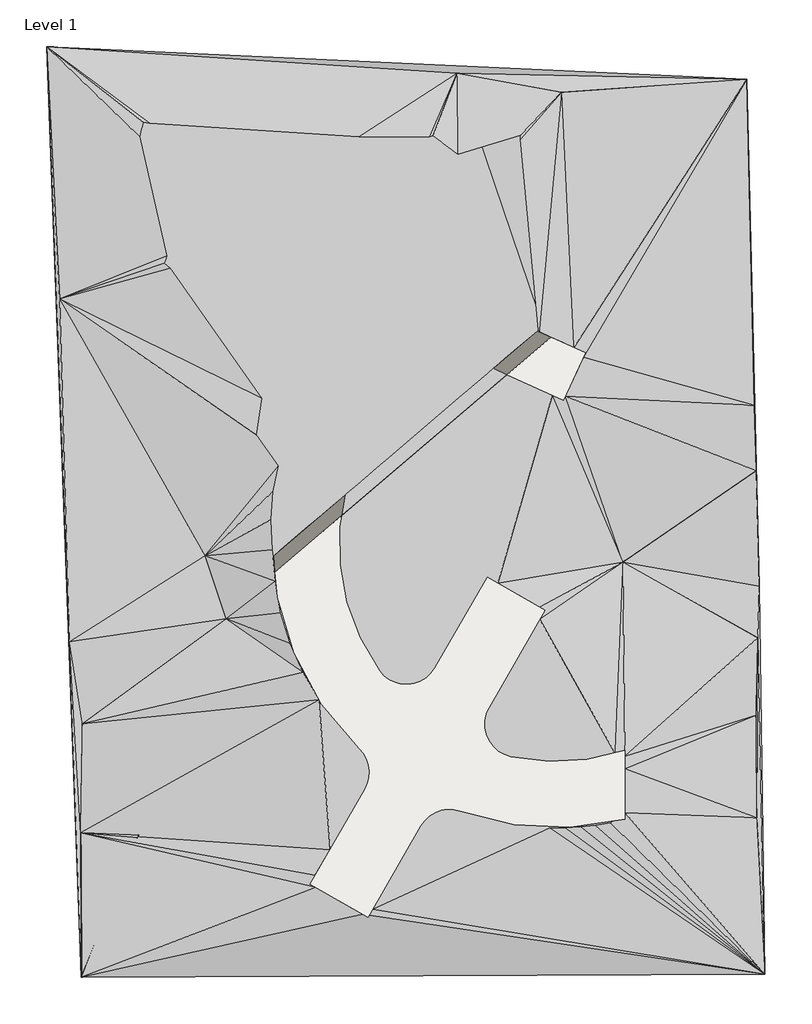
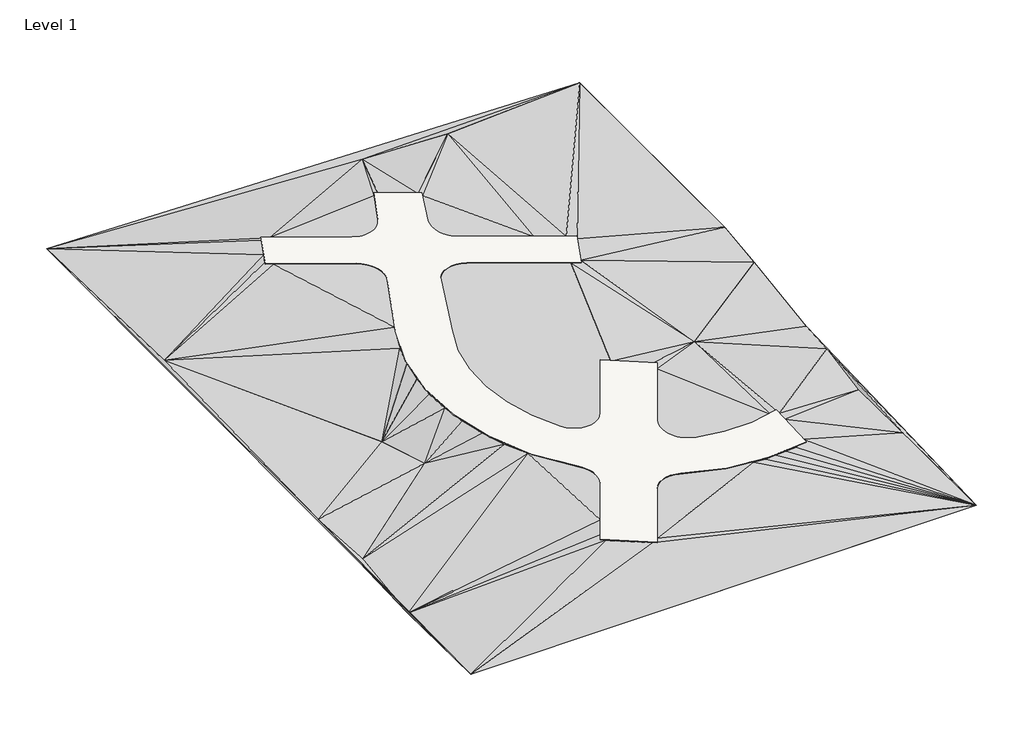
# One storey: 2 proxies, 1 slab.
"""IFC4 building model written with IfcOpenShell, lengths in millimetres."""

import ifcopenshell
import ifcopenshell.guid

model = None  # the IFC model being written
_history = None  # IfcOwnerHistory: only IFC2X3 demands one
_inside = {}  # id of a spatial element -> (the spatial element, [elements in it])
_under = {}  # id of a project, library or spatial element -> (it, [spatial elements below it])
_declared = {}  # id of a project -> (the project, [libraries it declares])
_typed = {}  # id of a type object -> (the type object, [elements of that type])
_made_of = {}  # id of a material, layer set ... -> (it, [elements and type objects made of it])


def new_model(schema):
    """Start an empty IFC model of exactly this schema.

    Asked for "IFC4X3", IfcOpenShell would pick the latest addendum, in which some entities
    have other attributes; the version numbers below select the first issue.
    IFC2X3 requires an IfcOwnerHistory on every rooted entity: one is made here for all.
    """
    global model, _history
    if schema == "IFC4X3":
        model = ifcopenshell.file(schema_version=(4, 3, 0, 0))
    else:
        model = ifcopenshell.file(schema=schema)
    _inside.clear()
    _under.clear()
    _declared.clear()
    _typed.clear()
    _made_of.clear()
    _history = None
    if model.schema == "IFC2X3":
        org = make("IfcOrganization", Name="unknown")
        user = make(
            "IfcPersonAndOrganization",
            ThePerson=make("IfcPerson", FamilyName="unknown"),
            TheOrganization=org,
        )
        app = make(
            "IfcApplication",
            ApplicationDeveloper=org,
            Version="unknown",
            ApplicationFullName="unknown",
            ApplicationIdentifier="unknown",
        )
        _history = make(
            "IfcOwnerHistory",
            OwningUser=user,
            OwningApplication=app,
            ChangeAction="ADDED",
            CreationDate=0,
        )
    return model


def make(cls, **values):
    """One entity of the class cls with the attributes given. An attribute that is None is left unset."""
    return model.create_entity(
        cls, **{name: value for name, value in values.items() if value is not None}
    )


def rooted(cls, **values):
    """An entity with a GlobalId (a new one), such as an element, a storey or a relation."""
    return make(cls, GlobalId=ifcopenshell.guid.new(), OwnerHistory=_history, **values)


def si_unit(unit_type, name, prefix=None):
    """IfcSIUnit, for example si_unit("LENGTHUNIT", "METRE", prefix="MILLI")."""
    return make("IfcSIUnit", UnitType=unit_type, Prefix=prefix, Name=name)


def assignment(units):
    """IfcUnitAssignment: the units of a project."""
    return None if units is None else make("IfcUnitAssignment", Units=units)


def point(xyz):
    """IfcCartesianPoint."""
    return None if xyz is None else make("IfcCartesianPoint", Coordinates=xyz)


def direction(xyz):
    """IfcDirection."""
    return None if xyz is None else make("IfcDirection", DirectionRatios=xyz)


def frame(location, z_axis=None, x_axis=None):
    """IfcAxis2Placement3D, a coordinate frame: its origin and axes. An axis left out is left unset."""
    return make(
        "IfcAxis2Placement3D",
        Location=point(location),
        Axis=direction(z_axis),
        RefDirection=direction(x_axis),
    )


def origin():
    """The frame at (0, 0, 0) with its axes left unset."""
    return frame((0.0, 0.0, 0.0))


def place(relative_to, where):
    """IfcLocalPlacement: puts the frame where relative to a parent placement (None: the world)."""
    return make(
        "IfcLocalPlacement", PlacementRelTo=relative_to, RelativePlacement=where
    )


def context(
    kind, dimensions, precision=None, world=None, true_north=None, identifier=None
):
    """IfcGeometricRepresentationContext, for example the 3D "Model" context."""
    return make(
        "IfcGeometricRepresentationContext",
        ContextIdentifier=identifier,
        ContextType=kind,
        CoordinateSpaceDimension=dimensions,
        Precision=precision,
        WorldCoordinateSystem=world,
        TrueNorth=true_north,
    )


def project(units=None, contexts=None):
    """IfcProject with its units and contexts."""
    return rooted(
        "IfcProject",
        Name="project",
        RepresentationContexts=contexts,
        UnitsInContext=assignment(units),
    )


def spatial(cls, under=None, at=None, **own):
    """A site, building, storey or space (cls), placed at a placement, below another one or the project."""
    s = rooted(cls, ObjectPlacement=at, **own)
    if under is not None:
        _under.setdefault(under.id(), (under, []))[1].append(s)
    return s


def polyline(points):
    """IfcPolyline through the points."""
    return make("IfcPolyline", Points=[point(p) for p in points])


def point_list(points):
    """IfcCartesianPointList2D or 3D."""
    cls = (
        "IfcCartesianPointList2D" if len(points[0]) == 2 else "IfcCartesianPointList3D"
    )
    return make(cls, CoordList=points)


def ellipse_curve(where, semi_axis1, semi_axis2):
    """IfcEllipse in the frame where."""
    return make(
        "IfcEllipse", Position=where, SemiAxis1=semi_axis1, SemiAxis2=semi_axis2
    )


def triangles(points, corners, closed=None, point_numbers=None):
    """IfcTriangulatedFaceSet: each triangle names its three corners, points numbered from 1."""
    return make(
        "IfcTriangulatedFaceSet",
        Coordinates=point_list(points),
        Closed=closed,
        CoordIndex=corners,
        PnIndex=point_numbers,
    )


def shape(context_of_items, identifier, shape_type, items):
    """IfcShapeRepresentation: the items that make up one representation, for example the "Body"."""
    return make(
        "IfcShapeRepresentation",
        ContextOfItems=context_of_items,
        RepresentationIdentifier=identifier,
        RepresentationType=shape_type,
        Items=items,
    )


def made_of(thing, what):
    """Note that an element or type object is made of a material, layer set ...; save() writes the relation."""
    if what is not None:
        _made_of.setdefault(what.id(), (what, []))[1].append(thing)
    return thing


def element(
    cls,
    number,
    at=None,
    inside=None,
    cuts=None,
    type_object=None,
    material=None,
    context=None,
    identifier="Body",
    shape_type=None,
    held_by="IfcProductDefinitionShape",
    body=None,
    shapes=None,
    **own,
):
    """One element of the class cls, such as IfcWall. Its Tag is "e" and its number.

    at: its placement. inside: the storey or other place that contains it. cuts: it is an
    opening in that element (IfcRelVoidsElement). A single representation is given by context,
    identifier, shape_type and body (its items); several are given by shapes. held_by: the class
    of the entity that holds the representations. save() writes the other relations.
    """
    e = rooted(cls, Tag="e%d" % number, ObjectPlacement=at, **own)
    if body is not None:
        shapes = [shape(context, identifier, shape_type, body)]
    if shapes is not None:
        e.Representation = make(held_by, Representations=shapes)
    if inside is not None:
        _inside.setdefault(inside.id(), (inside, []))[1].append(e)
    if cuts is not None:
        rooted(
            "IfcRelVoidsElement", RelatingBuildingElement=cuts, RelatedOpeningElement=e
        )
    if type_object is not None:
        _typed.setdefault(type_object.id(), (type_object, []))[1].append(e)
    return made_of(e, material)


def aggregate(whole, parts):
    """IfcRelAggregates: a whole, such as a stair, and the parts it consists of."""
    return rooted("IfcRelAggregates", RelatingObject=whole, RelatedObjects=parts)


def save(model, path):
    """Write the relations noted so far, then the file.

    IfcRelAggregates (storeys below a building ...), IfcRelContainedInSpatialStructure (elements
    in a storey), IfcRelDefinesByType, IfcRelAssociatesMaterial and IfcRelDeclares: one each for
    every whole, place, type object, material and project.
    """
    for whole, parts in _under.values():
        aggregate(whole, parts)
    for where, things in _inside.values():
        rooted(
            "IfcRelContainedInSpatialStructure",
            RelatedElements=things,
            RelatingStructure=where,
        )
    for kind, things in _typed.values():
        rooted("IfcRelDefinesByType", RelatedObjects=things, RelatingType=kind)
    for what, things in _made_of.values():
        rooted("IfcRelAssociatesMaterial", RelatedObjects=things, RelatingMaterial=what)
    for by, libraries in _declared.values():
        rooted("IfcRelDeclares", RelatingContext=by, RelatedDefinitions=libraries)
    model.write(path)


def plane_surface(at):
    """IfcPlane: the flat surface through the origin of the frame at, square to its z axis."""
    return make("IfcPlane", Position=at)


def cylinder_surface(at, radius):
    """IfcCylindricalSurface: all points at the distance radius from the z axis of the frame at."""
    return make("IfcCylindricalSurface", Position=at, Radius=radius)


def revolved_surface(curve, axis_point, axis_direction):
    """IfcSurfaceOfRevolution: the curve turned about the line through axis_point along axis_direction."""
    return make(
        "IfcSurfaceOfRevolution",
        SweptCurve=make("IfcArbitraryOpenProfileDef", ProfileType="CURVE", Curve=curve),
        AxisPosition=make("IfcAxis1Placement", Location=point(axis_point), Axis=direction(axis_direction)),
    )


def advanced_brep(points, edges, surfaces, faces):
    """IfcAdvancedBrep: a solid bounded by faces that lie on surfaces and meet in shared edges.

    An edge is (start, end): straight between two places in points (the first is 0);
    or (start, end, curve); or (start, end, curve, False) where it runs against its curve.
    A face is (place in surfaces, loops), or (place, loops, False) where it looks against
    its surface's normal. A loop lists edges by number (the first is 1), with a minus sign
    where the edge is run from its end to its start. The first loop is the outer one.
    """
    corners = [point(p) for p in points]
    vertices = [make("IfcVertexPoint", VertexGeometry=c) for c in corners]
    made = []
    for start, end, *more in edges:
        made.append(
            make(
                "IfcEdgeCurve",
                EdgeStart=vertices[start],
                EdgeEnd=vertices[end],
                EdgeGeometry=more[0] if more else make("IfcPolyline", Points=[corners[start], corners[end]]),
                SameSense=more[1] if len(more) > 1 else True,
            )
        )
    hull = []
    for where, loops, *sense in faces:
        bounds = []
        for j, loop in enumerate(loops):
            ring = [make("IfcOrientedEdge", EdgeElement=made[abs(k) - 1], Orientation=k > 0) for k in loop]
            bounds.append(
                make(
                    "IfcFaceOuterBound" if j == 0 else "IfcFaceBound",
                    Bound=make("IfcEdgeLoop", EdgeList=ring),
                    Orientation=True,
                )
            )
        hull.append(make("IfcAdvancedFace", Bounds=bounds, FaceSurface=surfaces[where], SameSense=sense[0] if sense else True))
    return make("IfcAdvancedBrep", Outer=make("IfcClosedShell", CfsFaces=hull))


model = new_model("IFC4")

# Units and contexts
model_context = context("Model", 3, world=origin())
ifc_project = project(units=[si_unit("LENGTHUNIT", "METRE", prefix="MILLI")], contexts=[model_context])

# Site, building, storey
site = spatial("IfcSite", under=ifc_project)
building = spatial("IfcBuilding", under=site)
storey = spatial("IfcBuildingStorey", under=building, Name="Level 1", Elevation=0.0)

# Proxies
placement = place(None, origin())
element("IfcBuildingElementProxy", 1, Name="Building Element Proxy", at=placement, inside=storey, context=model_context, shape_type="Tessellation", body=[
    triangles([(111808.9892578, 667.3737265, -5400.0000412), (173593.6458984, 946.0044662, -5400.0000412), (111725.7478271, 13736.1569092, -5400.0000412), (172844.4823242, 15096.9157104, -4400.0000336), (172761.2315918, 24336.6284729, -4400.0000336), (111892.2306885, 23558.5550354, -4400.0000336), (110726.8599609, 30966.9726013, -3400.0000259), (172927.7144531, 31328.8435364, -3400.0000259), (173094.1973145, 35990.3217957, -3400.0000259), (172804.5219727, 46435.2028564, -1400.0000107), (109855.5922119, 61941.0656982, -1400.0000107), (172640.3273438, 52346.2653076, -400.0000031), (108668.7809326, 84731.5629639, -400.0000031), (145751.8662598, 82334.2767334, -400.0000031), (155210.9633057, 80597.898999, 600.0000046), (171947.68125, 81796.551416, 600.0000046), (160757.4619629, 38176.4790527, -2400.0000183), (122985.8512207, 38762.9967407, -2400.0000183), (124896.906665, 33047.7874512, -2400.0000183)], [[7, 3, 6], [3, 7, 1], [3, 19, 6], [19, 3, 1], [7, 13, 1], [7, 6, 19], [13, 11, 14], [11, 13, 7], [14, 18, 17], [18, 11, 7], [19, 17, 18], [18, 14, 11], [7, 19, 18], [13, 14, 16], [19, 1, 4], [5, 4, 8], [4, 5, 17], [8, 2, 9], [2, 8, 4], [8, 9, 17], [17, 19, 4], [5, 8, 17], [15, 17, 12], [17, 15, 14], [16, 12, 10], [12, 16, 15], [10, 12, 17], [16, 10, 9], [17, 9, 10], [15, 16, 14], [4, 1, 2]], closed=False),
])
element("IfcBuildingElementProxy", 2, Name="Building Element Proxy", at=placement, inside=storey, context=model_context, shape_type="Tessellation", body=[
    triangles([(111808.9892578, 667.3737265, -5400.0000412), (173593.6458984, 946.0044662, -5400.0000412), (111725.7478271, 13736.1569092, -5400.0000412), (172844.4823242, 15096.9157104, -4400.0000336), (172761.2315918, 24336.6284729, -4400.0000336), (111892.2306885, 23558.5550354, -4400.0000336), (110726.8599609, 30966.9726013, -3400.0000259), (172927.7144531, 31328.8435364, -3400.0000259), (173094.1973145, 35990.3217957, -3400.0000259), (172804.5219727, 46435.2028564, -1400.0000107), (109855.5922119, 61941.0656982, -1400.0000107), (172640.3273438, 52346.2653076, -400.0000031), (108668.7809326, 84731.5629639, -400.0000031), (145751.8662598, 82334.2767334, -400.0000031), (155210.9633057, 80597.898999, 600.0000046), (171947.68125, 81796.551416, 600.0000046), (160757.4619629, 38176.4790527, -2400.0000183), (122985.8512207, 38762.9967407, -2400.0000183), (124896.906665, 33047.7874512, -2400.0000183), (139095.4074463, 27971.4810242, 237.5772318), (139518.5816162, 27630.7088013, 202.4067224), (139996.375708, 27371.8036743, 169.0058723), (140513.2092773, 27203.3069824, 138.4691279), (141052.1624268, 27130.8276855, 111.8005432), (141595.5525146, 27156.8656311, 89.8810599), (142125.4922607, 27280.6673767, 73.4378367), (142624.4757568, 27498.2378174, 63.0185644), (143075.9923828, 27802.4471558, 58.9713777), (143465.1035156, 28183.2587952, 61.431779), (144208.4255859, 29371.9560059, 89.2542995), (144637.9156494, 30115.8454834, 108.1911705), (145067.3964111, 30859.7349609, 127.1280506), (145496.8864746, 31603.6267639, 146.0649307), (145926.3672363, 32347.5162415, 165.0018107), (146355.847998, 33091.405719, 183.9386817), (146785.3380615, 33835.2951965, 202.8755709), (147214.8188232, 34579.1846741, 221.8124419), (147644.3088867, 35323.0741516, 240.7493311), (148073.7896484, 36066.9659546, 259.6862021), (148975.6508789, 36538.1278931, 244.760914), (149448.0313477, 36265.400354, 210.8987549), (149920.4118164, 35992.6728149, 177.0365958), (150392.7829834, 35719.9452759, 143.1744367), (150865.1634521, 35447.2177368, 109.3122776), (151337.5439209, 35174.4901978, 75.4501139), (151809.9150879, 34901.7649841, 41.5879503), (152282.2955566, 34629.0374451, 7.7257877), (152754.6760254, 34356.309906, -26.1363748), (153227.0564941, 34083.5823669, -59.9985362), (153239.2417969, 33013.7872009, -114.1513263), (152779.0559326, 32216.7172485, -134.4419482), (152318.8700684, 31419.6496216, -154.7325793), (151858.6749023, 30622.5796692, -175.0232012), (151398.4890381, 29825.5120422, -195.3138232), (150938.3031738, 29028.4420898, -215.6044633), (150478.1173096, 28231.3744629, -235.8950852), (150017.9314453, 27434.3068359, -256.1857072), (149557.7362793, 26637.2368835, -276.4763473), (149097.550415, 25840.1692566, -296.7669693), (148419.4522705, 24577.5998108, -331.080627), (148284.2233154, 24081.8905334, -350.1521736), (148235.5658203, 23570.5636047, -373.7068042), (148274.8192383, 23058.6181091, -401.0499026), (148400.7464355, 22561.020575, -431.3778843), (148609.5802002, 22092.2817444, -463.8028673), (148895.2092773, 21666.051947, -497.3787249), (149249.2806885, 21294.7327515, -531.1269919), (149661.4880859, 20989.1490784, -564.0646617), (150119.8415039, 20758.2422424, -595.2310006), (151546.9450928, 20433.2667297, -672.5177439), (152490.4037842, 20303.3560547, -719.3543472), (153439.1551758, 20219.3914124, -764.1136791), (154390.9668457, 20181.5867432, -806.6897141), (155343.5877686, 20190.0536682, -846.980714), (156294.7762207, 20244.7642822, -884.8918447), (157242.271875, 20345.6278931, -920.33176), (158183.8516113, 20492.4049805, -953.2166714), (159117.2644043, 20684.7630066, -983.4678045), (160040.3150391, 20922.2647888, -1011.0125622), (160950.7896973, 20636.2729431, -1064.264835), (160950.7896973, 20068.1913391, -1092.7443466), (160950.7896973, 19500.1097351, -1121.2237856), (160950.7896973, 18932.0281311, -1149.7032972), (160950.7896973, 18363.9476898, -1178.1827362), (160950.7896973, 17795.8660858, -1206.6622478), (160950.7896973, 17227.7844818, -1235.1417595), (160950.7896973, 16659.7028778, -1263.6212711), (160950.7896973, 16091.6212738, -1292.1006374), (160950.7896973, 15523.5396698, -1320.5801491), (159609.2157715, 14655.4821899, -1306.758609), (158253.6147949, 14427.9402649, -1260.2268562), (156887.8935059, 14273.4636475, -1209.5999319), (155516.0144531, 14192.4837067, -1155.0247747), (154141.9122803, 14185.1911285, -1096.6608227), (152769.5588379, 14251.6021912, -1034.6765247), (151402.8980713, 14391.4820251, -969.2523932), (150045.864624, 14604.4167023, -900.5770792), (148702.3373291, 14889.7620758, -828.849408), (147376.1950195, 15246.6763367, -754.2763435), (145707.3852539, 15778.8147858, -656.2731686), (145333.1569336, 15836.8658936, -637.3682178), (144954.4916748, 15847.3047913, -620.6606621), (144577.4356201, 15809.9256775, -606.4188715), (144208.0070068, 15725.2913086, -594.8723379), (143852.1217529, 15594.7225342, -586.2076778), (143515.5004395, 15420.2878326, -580.5651807), (143203.5473877, 15204.7695923, -578.036447), (142921.2576416, 14951.6176025, -578.6624989), (142673.1611572, 14664.8955688, -582.4331989), (142030.1678467, 13599.1013214, -608.3824508), (141597.0966064, 12848.9959442, -627.4775425), (141164.0160645, 12098.8894043, -646.5726706), (140730.9448242, 11348.7840271, -665.6677986), (140297.873584, 10598.6774872, -684.7629267), (139864.8023437, 9848.57211, -703.8580547), (139431.7218018, 9098.4655701, -722.9531828), (138998.6505615, 8348.3596115, -742.0483109), (138565.5793213, 7598.253653, -761.1433662), (138132.4987793, 6848.1476944, -780.2384943), (137227.0563721, 6370.7692749, -765.4714451), (136754.6759033, 6643.4962326, -731.6093405), (136282.2954346, 6916.2237717, -697.7471632), (135809.9149658, 7188.9513107, -663.8849859), (135337.5437988, 7461.6782684, -630.0228086), (134865.1633301, 7734.4058075, -596.1606677), (134392.7828613, 8007.1327652, -562.2984904), (133920.4116943, 8279.8603043, -528.4363495), (133448.0312256, 8552.587262, -494.5741722), (132975.6507568, 8825.314801, -460.7119949), (132953.3265381, 9877.5552246, -407.0061161), (133403.3827881, 10657.0681091, -387.1624146), (133853.4297363, 11436.5821564, -367.3186767), (134303.4859863, 12216.0950409, -347.4749388), (134753.5422363, 12995.6079254, -327.6312372), (135203.5891846, 13775.1208099, -307.7874993), (135653.6454346, 14554.6348572, -287.9437614), (136103.6923828, 15334.1477417, -268.1000417), (136553.7486328, 16113.6606262, -248.256322), (137003.7955811, 16893.1746735, -228.4125841), (137615.7768311, 17996.9421844, -199.2339509), (137737.3973145, 18338.28414, -187.3197072), (137816.9645508, 18691.7160553, -173.001922), (137853.3437256, 19052.0673157, -156.491429), (137846.0418457, 19414.0835907, -138.0304738), (137795.1984375, 19772.4954346, -117.8891614), (137701.5762451, 20122.0973511, -96.3612421), (137566.5705322, 20457.8233704, -73.7600735), (137392.1439697, 20774.813324, -50.4136334), (137180.854541, 21068.4791199, -26.6604162), (134982.1236328, 23437.3391785, 186.0713277), (133276.0510254, 25745.5075928, 374.7046357), (131838.8643311, 28230.2280212, 560.6963353), (130688.6275635, 30860.4581726, 741.7185345), (129839.8514648, 33603.3233093, 915.5026217), (129303.3446777, 36424.4999451, 1079.8666443), (129086.0184082, 39288.6390747, 1232.7424873), (129190.8213135, 42159.7801025, 1372.2011261), (129616.6743896, 45001.7973267, 1496.4781334), (130358.4430664, 47778.8650269, 1603.9965706), (131751.4371094, 51208.0324585, 1716.3731415), (132095.8998047, 51960.1772461, 1739.357785), (132440.3625, 52712.3220337, 1762.3424286), (132784.8251953, 53464.4714722, 1785.3269268), (133129.2971924, 54216.6162598, 1808.3115704), (133473.7598877, 54968.7610474, 1831.2962139), (133818.222583, 55720.9104858, 1854.2807121), (134162.6852783, 56473.0552734, 1877.2653557), (134507.1572754, 57225.200061, 1900.2498539), (134851.6199707, 57977.3494995, 1923.2344975), (135346.2316406, 59130.8325806, 1959.9220837), (135437.6400146, 59549.3512207, 1976.9963322), (135468.5218506, 59976.4879395, 1997.0903091), (135438.2725342, 60403.5409424, 2019.7922665), (135347.5896973, 60821.8316895, 2044.6381336), (135198.3429932, 61222.8676758, 2071.1221275), (134993.5927002, 61598.5284668, 2098.7061996), (134737.5153076, 61941.2238281, 2126.8313725), (134435.2825928, 62244.0053467, 2154.9279133), (134093.0337158, 62500.7431641, 2182.4268162), (132918.3054199, 63072.3082764, 2261.2894444), (132118.930957, 63438.4022095, 2313.8083317), (131319.5564941, 63804.4961426, 2366.3270737), (130520.1820313, 64170.5900757, 2418.8458157), (129720.8168701, 64536.6840088, 2471.3645576), (128921.4424072, 64902.7779419, 2523.883445), (128122.0679443, 65268.871875, 2576.4023323), (127322.6934814, 65634.9658081, 2628.920929), (126523.3190186, 66001.0597412, 2681.4398163), (125723.9445557, 66367.1536743, 2733.9587036), (125102.4848145, 67121.7169189, 2798.3486687), (125280.3902344, 67510.1908813, 2810.2197464), (125458.3049561, 67898.6601929, 2822.0908241), (125636.2196777, 68287.1341553, 2833.9621925), (125814.1250977, 68675.6034668, 2845.8332703), (125992.0398193, 69064.0727783, 2857.704348), (126169.9452393, 69452.5467407, 2869.5757164), (126347.8599609, 69841.0160522, 2881.4467941), (126525.7653809, 70229.4900146, 2893.3178719), (126703.6801025, 70617.9593262, 2905.1889496), (127680.9599854, 70640.3347046, 2864.5414307), (128480.3344482, 70274.2407715, 2812.0225433), (129279.7089111, 69908.1468384, 2759.5039467), (130079.083374, 69542.0575562, 2706.9850594), (130878.4578369, 69175.963623, 2654.466172), (131677.822998, 68809.8696899, 2601.9475754), (132477.1974609, 68443.7757568, 2549.428688), (133276.5719238, 68077.6818237, 2496.9098007), (134075.9463867, 67711.5878906, 2444.3909134), (134875.3208496, 67345.4939575, 2391.8721714), (136075.1266846, 66829.5208008, 2314.7248455), (136492.9244385, 66738.0752197, 2292.2836281), (136919.6053711, 66706.9701416, 2272.487598), (137346.5095459, 66736.8892456, 2255.7416725), (137764.9212158, 66827.2744263, 2242.3900166), (138166.2920654, 66976.3350952, 2232.7077587), (138542.4272461, 67181.052832, 2226.8948868), (138885.5969971, 67437.2651001, 2225.0720329), (139188.7970947, 67739.725708, 2227.2765495), (139445.8139648, 68082.2443359, 2233.4630905), (139833.1112549, 68854.5413818, 2255.6269993), (140014.8024902, 69251.2799561, 2267.7508232), (140196.5030273, 69648.0138794, 2279.8745018), (140378.1942627, 70044.7524536, 2291.9981804), (140559.8947998, 70441.486377, 2304.1220043), (140741.5860352, 70838.2249512, 2316.2456829), (140923.2865723, 71234.9588745, 2328.3695068), (141104.9778076, 71631.6974487, 2340.4931854), (141286.6783447, 72028.4313721, 2352.6170094), (141468.3695801, 72425.1699463, 2364.7406879), (142074.3325928, 72627.6041016, 2348.9903412), (142498.5950684, 72433.2996826, 2321.1161705), (142922.8575439, 72238.9999146, 2293.2419998), (143347.1293213, 72044.6954956, 2265.3678291), (143771.3917969, 71850.3910767, 2237.4938038), (144195.6542725, 71656.0913086, 2209.6196331), (144619.916748, 71461.7868896, 2181.7454624), (145044.1792236, 71267.4871216, 2153.8712917), (145468.4416992, 71073.1827026, 2125.9972664), (145892.7041748, 70878.8782837, 2098.1230957), (146145.5631592, 70272.5618042, 2056.9195061), (145974.159668, 69860.5497437, 2043.5900871), (145802.7561768, 69448.5330322, 2030.2606682), (145631.3526855, 69036.5209717, 2016.9312492), (145459.9398926, 68624.5089111, 2003.6018303), (145288.5364014, 68212.4921997, 1990.272266), (145117.1329102, 67800.4801392, 1976.9428471), (144945.7294189, 67388.4634277, 1963.6134281), (144774.316626, 66976.4513672, 1950.2840092), (144602.9131348, 66564.4346558, 1936.9545902), (144298.0015137, 65755.3724121, 1909.426038), (144221.1224854, 65343.7138184, 1892.0743355), (144202.3050293, 64925.4835327, 1871.9116127), (144241.874707, 64508.829895, 1849.3323223), (144339.0129639, 64101.8407837, 1824.7772804), (144491.7943359, 63712.4133911, 1798.7240742), (144697.2236572, 63348.0728394, 1771.6784866), (144951.3104736, 63015.86521, 1744.164323), (145249.1341553, 62722.2226685, 1716.7142544), (145584.9276123, 62472.8332397, 1689.8593529), (146987.4094482, 61798.4464966, 1596.1079533), (148022.611377, 61324.3498535, 1528.0955349), (149057.8040039, 60850.2532104, 1460.0831165), (150093.0059326, 60376.1612183, 1392.0706982), (151128.1985596, 59902.0645752, 1324.0584251), (152163.4004883, 59427.9679321, 1256.0460068), (153198.5931152, 58953.8759399, 1188.0335884), (154233.7950439, 58479.7792969, 1120.02117), (155268.9876709, 58005.6826538, 1052.0087517), (156304.1895996, 57531.5906616, 983.9963333), (157161.4768066, 56669.024707, 904.1127645), (156983.5527832, 56280.5507446, 892.2416142), (156805.6473633, 55892.0814331, 880.3704638), (156627.7419434, 55503.6074707, 868.4993134), (156449.8365234, 55115.1381592, 856.628163), (156271.9125, 54726.6688477, 844.7570126), (156094.0070801, 54338.1948853, 832.8857895), (155916.1016602, 53949.7255737, 821.0146391), (155738.1869385, 53561.2516113, 809.1434887), (155560.2815186, 53172.7822998, 797.2723383), (154378.3350586, 53244.1314331, 851.3658388), (153374.3126221, 53703.9545288, 917.3305624), (152370.2808838, 54163.7729736, 983.2952133), (151366.2491455, 54623.5960693, 1049.2599369), (150362.2174072, 55083.4145142, 1115.2245878), (149358.1949707, 55543.2376099, 1181.1892387), (148354.1632324, 56003.0607056, 1247.1539623), (147350.1314941, 56462.8791504, 1313.1186859), (146346.1090576, 56922.7022461, 1379.0832642), (145342.0773193, 57382.5206909, 1445.0479877), (143928.4054688, 57994.92052, 1536.1703327), (143500.8036621, 58086.3614502, 1559.0301292), (143064.3279785, 58114.676001, 1579.1049213), (142628.233667, 58079.1990967, 1595.9650841), (142201.8224854, 57980.6283691, 1609.2485756), (141794.1915527, 57821.0241577, 1618.6690762), (141414.0845215, 57603.7583496, 1624.0232552), (141069.6125244, 57333.4585693, 1625.1948406), (140768.170459, 57015.9012085, 1622.1588341), (140516.1858398, 56657.8951538, 1614.9807838), (140004.7565918, 55511.6860474, 1579.3769978), (139690.4874023, 54756.2763428, 1554.9379372), (139376.2275146, 54000.8619873, 1530.4990219), (139061.9583252, 53245.4522827, 1506.0599613), (138747.6891357, 52490.0379272, 1481.6209007), (138433.429248, 51734.6282227, 1457.1819855), (138119.1600586, 50979.2138672, 1432.7429249), (137804.8908691, 50223.8041626, 1408.3038643), (137490.6309814, 49468.3898071, 1383.864949), (137176.361792, 48712.9801025, 1359.4258884), (136164.2189209, 46218.8067627, 1277.6455605), (135635.5256104, 44421.7118042, 1210.1490263), (135280.7472656, 42582.7356812, 1133.1194984), (135103.0185791, 40718.6913208, 1047.2658726), (135103.8557373, 38846.5730347, 953.3758913), (135283.1285156, 36983.4379211, 852.3091679), (135639.1253906, 35146.212854, 744.9889017), (136168.5070313, 33351.5782104, 632.3928675), (136866.3900146, 31615.7911377, 515.5455666), (137726.3840332, 29954.5762573, 395.507581)], [[1, 129, 3], [129, 1, 128], [128, 127, 131], [127, 128, 1], [1, 126, 127], [129, 128, 130], [3, 6, 7], [3, 151, 6], [131, 132, 3], [131, 130, 128], [126, 132, 131], [131, 3, 130], [3, 129, 130], [133, 3, 132], [131, 127, 126], [1, 3, 7], [125, 124, 132], [125, 132, 126], [1, 125, 126], [1, 124, 125], [117, 132, 124], [132, 116, 133], [1, 123, 124], [134, 133, 115], [133, 134, 151], [150, 134, 135], [136, 137, 150], [113, 136, 135], [112, 137, 136], [136, 150, 135], [135, 134, 114], [20, 151, 150], [117, 124, 123], [151, 3, 133], [1, 122, 123], [150, 151, 134], [18, 7, 19], [153, 19, 152], [314, 156, 155], [154, 155, 19], [153, 154, 19], [154, 315, 155], [7, 6, 19], [18, 19, 155], [18, 156, 157], [156, 18, 155], [156, 313, 157], [157, 312, 158], [158, 159, 18], [157, 158, 18], [158, 311, 159], [11, 7, 18], [316, 154, 317], [159, 11, 18], [318, 153, 152], [152, 19, 6], [313, 314, 39], [314, 155, 315], [315, 154, 316], [314, 315, 38], [319, 152, 151], [313, 156, 314], [160, 11, 159], [308, 161, 160], [312, 313, 39], [39, 311, 312], [159, 310, 160], [311, 158, 312], [313, 312, 157], [311, 310, 159], [315, 316, 36], [154, 153, 317], [151, 152, 6], [188, 160, 161], [138, 150, 137], [1, 7, 13], [150, 138, 139], [133, 116, 115], [138, 110, 139], [121, 122, 1], [109, 140, 139], [122, 121, 118], [1, 120, 121], [150, 139, 149], [140, 141, 142], [140, 108, 141], [142, 143, 144], [142, 106, 143], [105, 144, 143], [140, 142, 146], [107, 142, 141], [139, 140, 149], [120, 119, 121], [142, 144, 146], [117, 123, 118], [118, 119, 95], [114, 134, 115], [116, 117, 96], [115, 116, 97], [132, 117, 116], [118, 96, 117], [135, 114, 113], [137, 112, 111], [113, 114, 98], [111, 110, 138], [111, 112, 99], [110, 111, 99], [137, 111, 138], [113, 98, 112], [113, 112, 136], [115, 97, 114], [118, 121, 119], [120, 2, 119], [104, 145, 144], [151, 20, 319], [148, 149, 146], [24, 148, 147], [146, 147, 148], [25, 147, 146], [149, 148, 24], [140, 146, 149], [319, 318, 152], [318, 33, 317], [317, 35, 316], [310, 40, 309], [40, 308, 309], [309, 308, 160], [39, 310, 311], [153, 318, 317], [310, 309, 160], [32, 318, 319], [149, 22, 150], [21, 150, 22], [149, 23, 22], [23, 24, 25], [23, 149, 24], [24, 147, 25], [22, 23, 21], [64, 146, 145], [23, 29, 21], [161, 307, 162], [308, 284, 307], [307, 284, 306], [21, 29, 20], [150, 21, 20], [305, 306, 285], [319, 20, 30], [162, 307, 306], [305, 286, 304], [146, 63, 25], [144, 145, 146], [308, 307, 161], [25, 26, 23], [118, 123, 122], [1, 2, 120], [163, 306, 305], [185, 164, 184], [183, 184, 165], [183, 166, 182], [181, 182, 167], [182, 181, 208], [183, 182, 207], [189, 11, 160], [184, 183, 206], [189, 188, 192], [189, 160, 188], [187, 162, 186], [187, 188, 161], [186, 185, 204], [187, 186, 203], [185, 186, 163], [188, 187, 194], [184, 205, 185], [11, 189, 190], [163, 164, 185], [162, 306, 163], [165, 166, 183], [165, 164, 304], [302, 167, 166], [165, 184, 164], [305, 164, 163], [166, 167, 182], [209, 181, 180], [169, 179, 180], [179, 171, 178], [301, 168, 167], [168, 169, 180], [180, 181, 168], [167, 168, 181], [210, 180, 179], [166, 165, 303], [163, 186, 162], [187, 161, 162], [208, 181, 209], [191, 192, 11], [190, 189, 191], [11, 193, 13], [192, 188, 193], [202, 195, 194], [193, 11, 192], [189, 192, 191], [13, 193, 194], [13, 195, 196], [195, 13, 194], [197, 200, 198], [196, 201, 197], [197, 198, 13], [196, 197, 13], [201, 196, 195], [13, 198, 199], [193, 188, 194], [191, 11, 190], [229, 203, 204], [204, 203, 186], [205, 204, 185], [184, 206, 205], [226, 206, 207], [228, 205, 206], [187, 203, 202], [229, 204, 205], [199, 200, 13], [199, 198, 200], [201, 200, 197], [195, 202, 201], [229, 201, 202], [229, 200, 201], [194, 187, 202], [14, 13, 200], [202, 203, 229], [183, 207, 206], [182, 208, 207], [224, 207, 208], [179, 178, 211], [11, 13, 7], [170, 171, 179], [170, 169, 299], [171, 172, 173], [296, 173, 172], [295, 174, 173], [173, 178, 171], [170, 298, 171], [178, 173, 174], [212, 177, 213], [176, 177, 175], [214, 176, 175], [174, 175, 177], [175, 174, 215], [177, 176, 213], [178, 174, 177], [212, 211, 178], [172, 171, 297], [170, 179, 169], [302, 166, 303], [288, 301, 302], [300, 301, 289], [290, 299, 300], [300, 169, 168], [300, 168, 301], [302, 303, 287], [301, 167, 302], [299, 298, 170], [295, 298, 293], [297, 295, 296], [295, 297, 298], [296, 295, 173], [297, 296, 172], [291, 298, 299], [298, 297, 171], [287, 303, 304], [300, 299, 169], [165, 304, 303], [254, 215, 174], [219, 210, 211], [210, 179, 211], [218, 213, 214], [214, 213, 176], [215, 214, 175], [213, 218, 211], [211, 212, 213], [215, 217, 214], [209, 210, 220], [216, 217, 215], [219, 211, 218], [251, 218, 217], [250, 219, 218], [214, 217, 218], [217, 216, 252], [220, 210, 219], [216, 215, 253], [209, 180, 210], [220, 221, 209], [221, 220, 248], [247, 222, 221], [222, 246, 223], [224, 208, 223], [223, 208, 222], [245, 224, 223], [221, 222, 209], [226, 207, 225], [224, 234, 225], [226, 225, 233], [232, 227, 226], [229, 205, 228], [228, 206, 227], [231, 228, 227], [227, 206, 226], [228, 230, 229], [225, 207, 224], [220, 219, 249], [222, 208, 209], [295, 254, 174], [177, 212, 178], [304, 164, 305], [14, 200, 229], [139, 110, 109], [108, 107, 141], [105, 108, 104], [108, 106, 107], [106, 108, 105], [105, 104, 144], [106, 105, 143], [108, 109, 100], [107, 106, 142], [104, 103, 64], [104, 108, 103], [102, 100, 101], [103, 108, 102], [101, 100, 66], [102, 101, 65], [108, 100, 102], [103, 102, 65], [110, 100, 109], [64, 145, 104], [99, 98, 69], [100, 110, 99], [99, 69, 68], [69, 98, 97], [69, 70, 60], [68, 69, 64], [112, 98, 99], [99, 68, 67], [66, 68, 64], [146, 64, 63], [67, 68, 66], [65, 101, 66], [66, 100, 67], [66, 64, 65], [103, 65, 64], [63, 64, 61], [64, 69, 61], [67, 100, 99], [97, 98, 114], [26, 25, 63], [28, 23, 27], [27, 26, 62], [30, 20, 29], [29, 28, 60], [30, 29, 59], [23, 28, 29], [27, 61, 28], [30, 31, 319], [33, 318, 32], [32, 31, 57], [35, 34, 54], [55, 34, 33], [35, 317, 34], [317, 33, 34], [32, 56, 33], [32, 319, 31], [30, 58, 31], [316, 35, 36], [60, 28, 61], [62, 63, 61], [60, 61, 69], [60, 70, 59], [57, 31, 58], [58, 30, 59], [71, 58, 59], [59, 29, 60], [36, 37, 315], [36, 44, 37], [72, 57, 58], [57, 73, 56], [35, 53, 36], [55, 33, 56], [57, 56, 32], [34, 55, 54], [56, 75, 55], [61, 27, 62], [26, 63, 62], [37, 38, 315], [69, 97, 70], [108, 140, 109], [95, 71, 96], [96, 118, 95], [93, 73, 94], [93, 94, 2], [92, 93, 2], [95, 94, 72], [119, 94, 95], [75, 74, 93], [75, 56, 74], [73, 93, 74], [92, 91, 76], [90, 91, 2], [87, 91, 90], [82, 78, 83], [75, 93, 92], [78, 82, 81], [92, 2, 91], [73, 72, 94], [87, 88, 4], [87, 90, 88], [89, 2, 4], [2, 89, 90], [4, 2, 8], [89, 4, 88], [86, 91, 87], [87, 4, 86], [82, 83, 4], [84, 83, 77], [77, 85, 84], [86, 85, 76], [85, 86, 4], [84, 85, 4], [91, 86, 76], [83, 84, 4], [82, 5, 81], [88, 90, 89], [116, 96, 97], [5, 82, 4], [71, 72, 58], [59, 70, 71], [52, 53, 79], [54, 77, 53], [51, 52, 79], [44, 36, 52], [70, 96, 71], [52, 36, 53], [47, 17, 46], [47, 46, 51], [49, 48, 50], [51, 48, 47], [51, 50, 48], [48, 17, 47], [46, 52, 51], [49, 17, 48], [72, 73, 57], [53, 35, 54], [76, 54, 55], [75, 76, 55], [85, 77, 76], [76, 75, 92], [83, 78, 77], [76, 77, 54], [81, 80, 79], [77, 78, 53], [51, 79, 50], [53, 78, 79], [79, 80, 17], [8, 80, 5], [8, 5, 4], [50, 79, 17], [81, 79, 78], [49, 50, 17], [80, 81, 5], [73, 74, 56], [71, 95, 72], [80, 8, 17], [2, 9, 8], [70, 97, 96], [94, 119, 2], [45, 52, 46], [295, 255, 254], [294, 295, 293], [293, 291, 292], [298, 291, 293], [258, 292, 291], [257, 293, 292], [290, 291, 299], [256, 294, 293], [251, 217, 252], [251, 252, 253], [251, 259, 250], [253, 215, 254], [258, 251, 254], [254, 251, 253], [216, 253, 252], [251, 250, 218], [291, 290, 259], [250, 249, 219], [259, 258, 291], [290, 260, 259], [261, 289, 288], [287, 288, 302], [261, 246, 260], [289, 261, 260], [300, 289, 290], [259, 260, 249], [254, 255, 258], [258, 259, 251], [256, 257, 258], [256, 293, 257], [257, 292, 258], [256, 258, 255], [294, 256, 255], [259, 249, 250], [260, 248, 249], [290, 289, 260], [301, 288, 289], [220, 249, 248], [14, 235, 236], [244, 236, 235], [236, 243, 237], [248, 260, 247], [246, 245, 223], [222, 247, 246], [224, 235, 234], [234, 235, 14], [231, 232, 14], [228, 231, 230], [14, 233, 234], [232, 226, 233], [234, 233, 225], [233, 14, 232], [227, 232, 231], [230, 231, 14], [237, 14, 236], [247, 221, 248], [244, 235, 245], [260, 246, 247], [245, 246, 261], [261, 244, 245], [242, 238, 237], [242, 237, 243], [243, 244, 262], [243, 236, 244], [14, 237, 238], [14, 238, 239], [239, 241, 240], [241, 239, 238], [243, 262, 242], [14, 239, 15], [238, 242, 241], [240, 15, 239], [262, 241, 242], [245, 235, 224], [241, 263, 240], [230, 14, 229], [262, 288, 287], [295, 294, 255], [38, 42, 41], [42, 38, 43], [43, 17, 42], [43, 38, 37], [43, 37, 44], [41, 42, 17], [52, 45, 44], [44, 17, 43], [284, 308, 40], [40, 39, 41], [282, 283, 40], [41, 280, 40], [267, 283, 282], [281, 282, 40], [39, 38, 41], [286, 287, 304], [44, 45, 17], [283, 284, 40], [279, 17, 10], [17, 279, 280], [279, 10, 12], [10, 17, 9], [10, 9, 16], [12, 10, 16], [45, 46, 17], [279, 12, 278], [281, 280, 276], [281, 40, 280], [277, 276, 280], [277, 278, 12], [276, 277, 12], [277, 280, 278], [280, 279, 278], [282, 281, 268], [12, 275, 276], [280, 41, 17], [8, 9, 17], [276, 275, 281], [264, 286, 285], [286, 305, 285], [283, 266, 284], [283, 267, 266], [240, 266, 15], [285, 284, 265], [306, 284, 285], [266, 265, 284], [262, 263, 241], [261, 288, 262], [264, 265, 240], [264, 263, 286], [265, 264, 285], [264, 240, 263], [287, 263, 262], [240, 265, 266], [266, 267, 15], [286, 263, 287], [268, 275, 274], [275, 12, 274], [269, 273, 272], [273, 12, 272], [272, 12, 271], [274, 273, 268], [12, 273, 274], [269, 272, 271], [15, 268, 269], [268, 15, 267], [269, 270, 16], [269, 268, 273], [270, 271, 12], [269, 16, 15], [271, 270, 269], [15, 16, 14], [16, 270, 12], [268, 267, 282], [275, 268, 281], [262, 244, 261], [39, 40, 310], [38, 39, 314], [14, 16, 13], [27, 23, 26]], closed=False),
])

# Slab
element("IfcSlab", 3, at=placement, inside=storey, context=model_context, shape_type="AdvancedBrep", body=[
    advanced_brep(
    [(138740.659768, 28382.9599889, 273.3677041), (143778.9417956, 28628.0661675, 70.3174174), (148503.2770554, 36810.8548694, 278.6230836), (153699.4294781, 33810.8548694, -93.8606979), (148637.3638299, 25043.0999755, -317.0575921), (150611.0022205, 20608.806635, -623.7149227), (160950.7983475, 21204.3544281, -1035.7853834), (160950.7983475, 14955.4585812, -1349.0596321), (146071.2262662, 15674.111993, -677.0728817), (142463.2420805, 14349.2074135, -589.2873288), (137699.4294781, 6098.0419483, -799.3336323), (132503.2770554, 9098.0419483, -426.8498508), (137453.8508628, 17672.6873095, -208.5688614), (136935.7413999, 21334.5703603, -2.8444438), (131406.9693648, 50455.885126, 1693.3886184), (135196.0834522, 58729.4946426, 1946.2190966), (133717.6783657, 62706.2167098, 2208.7706635), (124924.5733303, 66733.2472452, 2786.4774475), (126881.5882985, 71006.4301824, 2917.0602219), (135674.6933339, 66979.3996469, 2339.3534379), (139651.4154011, 68457.8047335, 2243.5032853), (141650.0689857, 72821.9064565, 2376.8644166), (146316.9726177, 70684.5768833, 2070.2489631), (144431.5087328, 66152.4229199, 1923.6251413), (145952.2171215, 62272.5410395, 1664.1203785), (157339.3815738, 57057.4937068, 915.9839548), (155382.3666056, 52784.3107697, 785.4011803), (144338.0473436, 57842.3432544, 1511.0126835), (140319.0219743, 56267.097981, 1603.8160321), (136862.0965186, 47957.5681453, 1334.986899), (138740.659768, 28382.9599889, 353.5411174), (136862.0965186, 47957.5681453, 1415.1603123), (140319.0219743, 56267.097981, 1683.9894455), (144338.0473436, 57842.3432544, 1591.1860968), (155382.3666056, 52784.3107697, 865.5745936), (157339.3815738, 57057.4937068, 996.1573681), (145952.2171215, 62272.5410395, 1744.2937918), (144431.5087328, 66152.4229199, 2003.7985546), (146316.9726177, 70684.5768833, 2150.4223764), (141650.0689857, 72821.9064565, 2457.0378299), (139651.4154011, 68457.8047335, 2323.6766986), (135674.6933339, 66979.3996469, 2419.5268512), (126881.5882985, 71006.4301824, 2997.2336352), (124924.5733303, 66733.2472452, 2866.6508608), (133717.6783657, 62706.2167098, 2288.9440768), (135196.0834522, 58729.4946426, 2026.39251), (131406.9693648, 50455.885126, 1773.5620318), (136935.7413999, 21334.5703603, 77.3289696), (137453.8508628, 17672.6873095, -128.395448), (132503.2770554, 9098.0419483, -346.6764375), (137699.4294781, 6098.0419483, -719.160219), (142463.2420805, 14349.2074135, -509.1139155), (146071.2262662, 15674.111993, -596.8994684), (160950.7983475, 14955.4585812, -1268.8862187), (160950.7983475, 21204.3544281, -955.61197), (150611.0022205, 20608.806635, -543.5415094), (148637.3638299, 25043.0999755, -236.8841788), (153699.4294781, 33810.8548694, -13.6872846), (148503.2770554, 36810.8548694, 358.7964969), (143778.9417956, 28628.0661675, 150.4908308)],
    [
        (0, 1, ellipse_curve(frame((141180.8655842, 30128.0661675, 256.5593082), z_axis=(0.04264794176221405, -0.05002430045962036, 0.9978370219765214), x_axis=(-0.6473685661381166, 0.7593369884334965, 0.06573642500947952)), 3006.5029999, 3000.0)),
        (1, 2),
        (2, 3),
        (3, 4),
        (4, 5, ellipse_curve(frame((151235.4400412, 23543.0999755, -503.2994829), z_axis=(0.04264794176221405, -0.05002430045962036, 0.9978370219765214), x_axis=(-0.6473685661381166, 0.7593369884334965, 0.06573642500947952)), 3006.5029999, 3000.0)),
        (5, 6, ellipse_curve(frame((154693.1816571, 39791.3601853, 163.485045), z_axis=(0.04264794176221405, -0.05002430045962036, 0.9978370219765214), x_axis=(-0.6473685661381166, 0.7593369884334965, 0.06573642500947952)), 19654.614622, 19612.1021225)),
        (6, 7),
        (7, 8, ellipse_curve(frame((154693.1816571, 39791.3601853, 163.485045), z_axis=(-0.04264794176221405, 0.05002430045962036, -0.9978370219765214), x_axis=(0.6473685661381166, -0.7593369884334965, -0.06573642500947952)), 25667.6206218, 25612.1021225)),
        (8, 9, ellipse_curve(frame((145061.3182919, 12849.2074135, -775.5292196), z_axis=(0.04264794176221405, -0.05002430045962036, 0.9978370219765214), x_axis=(-0.6473685661381166, 0.7593369884334965, 0.06573642500947952)), 3006.5029999, 3000.0)),
        (9, 10),
        (10, 11),
        (11, 12),
        (12, 13, ellipse_curve(frame((134855.7746515, 19172.6873095, -22.3269706), z_axis=(0.04264794176221405, -0.05002430045962036, 0.9978370219765214), x_axis=(-0.6473685661381166, 0.7593369884334965, 0.06573642500947952)), 3006.5029999, 3000.0)),
        (13, 14, ellipse_curve(frame((154693.1816571, 39791.3601853, 163.485045), z_axis=(-0.04264794176221405, 0.05002430045962036, -0.9978370219765214), x_axis=(0.6473685661381166, -0.7593369884334965, -0.06573642500947952)), 25667.6206218, 25612.1021225)),
        (14, 15),
        (15, 16, ellipse_curve(frame((132468.5198753, 59978.6531329, 2125.4199564), z_axis=(0.04264794176221405, -0.05002430045962036, 0.9978370219765214), x_axis=(-0.6473685661381166, 0.7593369884334965, 0.06573642500947952)), 3006.5029999, 3000.0)),
        (16, 17),
        (17, 18),
        (18, 19),
        (19, 20, ellipse_curve(frame((136923.8518242, 69706.9632238, 2422.704145), z_axis=(0.04264794176221405, -0.05002430045962036, 0.9978370219765214), x_axis=(-0.6473685661381166, 0.7593369884334965, 0.06573642500947952)), 3006.5029999, 3000.0)),
        (20, 21),
        (21, 22),
        (22, 23),
        (23, 24, ellipse_curve(frame((147201.3756118, 65000.1046164, 1747.4710856), z_axis=(0.04264794176221405, -0.05002430045962036, 0.9978370219765214), x_axis=(-0.6473685661381166, 0.7593369884334965, 0.06573642500947952)), 3006.5029999, 3000.0)),
        (24, 25),
        (25, 26),
        (26, 27),
        (27, 28, ellipse_curve(frame((143088.8888533, 55114.7796775, 1427.6619764), z_axis=(0.04264794176221405, -0.05002430045962036, 0.9978370219765214), x_axis=(-0.6473685661381166, 0.7593369884334965, 0.06573642500947952)), 3006.5029999, 3000.0)),
        (28, 29),
        (29, 0, ellipse_curve(frame((154693.1816571, 39791.3601853, 163.485045), z_axis=(0.04264794176221405, -0.05002430045962036, 0.9978370219765214), x_axis=(-0.6473685661381166, 0.7593369884334965, 0.06573642500947952)), 19654.614622, 19612.1021225)),
        (30, 31, ellipse_curve(frame((154693.1816571, 39791.3601853, 243.6584584), z_axis=(-0.04264794176221405, 0.05002430045962036, -0.9978370219765214), x_axis=(-0.6473685661381166, 0.7593369884334965, 0.06573642500947952)), 19654.614622, 19612.1021225)),
        (31, 32),
        (32, 33, ellipse_curve(frame((143088.8888533, 55114.7796775, 1507.8353897), z_axis=(-0.04264794176221405, 0.05002430045962036, -0.9978370219765214), x_axis=(-0.6473685661381166, 0.7593369884334965, 0.06573642500947952)), 3006.5029999, 3000.0)),
        (33, 34),
        (34, 35),
        (35, 36),
        (36, 37, ellipse_curve(frame((147201.3756118, 65000.1046164, 1827.6444989), z_axis=(-0.04264794176221405, 0.05002430045962036, -0.9978370219765214), x_axis=(-0.6473685661381166, 0.7593369884334965, 0.06573642500947952)), 3006.5029999, 3000.0)),
        (37, 38),
        (38, 39),
        (39, 40),
        (40, 41, ellipse_curve(frame((136923.8518242, 69706.9632238, 2502.8775583), z_axis=(-0.04264794176221405, 0.05002430045962036, -0.9978370219765214), x_axis=(-0.6473685661381166, 0.7593369884334965, 0.06573642500947952)), 3006.5029999, 3000.0)),
        (41, 42),
        (42, 43),
        (43, 44),
        (44, 45, ellipse_curve(frame((132468.5198753, 59978.6531329, 2205.5933697), z_axis=(-0.04264794176221405, 0.05002430045962036, -0.9978370219765214), x_axis=(-0.6473685661381166, 0.7593369884334965, 0.06573642500947952)), 3006.5029999, 3000.0)),
        (45, 46),
        (46, 47, ellipse_curve(frame((154693.1816571, 39791.3601853, 243.6584584), z_axis=(0.04264794176221405, -0.05002430045962036, 0.9978370219765214), x_axis=(0.6473685661381166, -0.7593369884334965, -0.06573642500947952)), 25667.6206218, 25612.1021225)),
        (47, 48, ellipse_curve(frame((134855.7746515, 19172.6873095, 57.8464427), z_axis=(-0.04264794176221405, 0.05002430045962036, -0.9978370219765214), x_axis=(-0.6473685661381166, 0.7593369884334965, 0.06573642500947952)), 3006.5029999, 3000.0)),
        (48, 49),
        (49, 50),
        (50, 51),
        (51, 52, ellipse_curve(frame((145061.3182919, 12849.2074135, -695.3558063), z_axis=(-0.04264794176221405, 0.05002430045962036, -0.9978370219765214), x_axis=(-0.6473685661381166, 0.7593369884334965, 0.06573642500947952)), 3006.5029999, 3000.0)),
        (52, 53, ellipse_curve(frame((154693.1816571, 39791.3601853, 243.6584584), z_axis=(0.04264794176221405, -0.05002430045962036, 0.9978370219765214), x_axis=(0.6473685661381166, -0.7593369884334965, -0.06573642500947952)), 25667.6206218, 25612.1021225)),
        (53, 54),
        (54, 55, ellipse_curve(frame((154693.1816571, 39791.3601853, 243.6584584), z_axis=(-0.04264794176221405, 0.05002430045962036, -0.9978370219765214), x_axis=(-0.6473685661381166, 0.7593369884334965, 0.06573642500947952)), 19654.614622, 19612.1021225)),
        (55, 56, ellipse_curve(frame((151235.4400412, 23543.0999755, -423.1260695), z_axis=(-0.04264794176221405, 0.05002430045962036, -0.9978370219765214), x_axis=(-0.6473685661381166, 0.7593369884334965, 0.06573642500947952)), 3006.5029999, 3000.0)),
        (56, 57),
        (57, 58),
        (58, 59),
        (59, 30, ellipse_curve(frame((141180.8655842, 30128.0661675, 336.7327215), z_axis=(-0.04264794176221405, 0.05002430045962036, -0.9978370219765214), x_axis=(-0.6473685661381166, 0.7593369884334965, 0.06573642500947952)), 3006.5029999, 3000.0)),
        (6, 54),
        (53, 7),
        (13, 47),
        (46, 14),
        (45, 15),
        (44, 16),
        (43, 17),
        (42, 18),
        (41, 19),
        (40, 20),
        (39, 21),
        (38, 22),
        (37, 23),
        (36, 24),
        (35, 25),
        (34, 26),
        (33, 27),
        (32, 28),
        (31, 29),
        (30, 0),
        (59, 1),
        (58, 2),
        (57, 3),
        (56, 4),
        (55, 5),
        (52, 8),
        (51, 9),
        (50, 10),
        (49, 11),
        (48, 12),
    ],
    [
        plane_surface(frame((131406.9693648, 50455.885126, 1693.3886184), z_axis=(-0.042647941762214044, 0.05002430045962035, -0.9978370219765211), x_axis=(0.6473685661381164, -0.7593369884334963, -0.06573642500948446))),
        plane_surface(frame((131406.9693648, 50455.885126, 1773.5620318), z_axis=(0.042647941762214044, -0.05002430045962035, 0.9978370219765211), x_axis=(-0.6473685661381164, 0.7593369884334963, 0.06573642500948446))),
        plane_surface(frame((160950.7983475, 21204.3544281, -1035.7853834), z_axis=(1.0, 0.0, 0.0), x_axis=(0.0, 0.0, 1.0))),
        cylinder_surface(frame((154693.1816571, 39791.3601853, -1226.4379682), z_axis=(0.0, 0.0, -1.0), x_axis=(1.0, 0.0, 0.0)), 25612.1021225),
        plane_surface(frame((131406.9693648, 50455.885126, 1693.3886184), z_axis=(-0.9091878589637161, 0.41638616345043705, 0.0), x_axis=(0.0, 0.0, 1.0))),
        revolved_surface(polyline([(135468.5198753, 59978.6531329, 2403.2301286937018), (135468.5198753, 59978.6531329, 1927.7831974062983)]), (132468.5198753, 59978.6531329, -1226.4379682), (0.0, 0.0, 1.0)),
        plane_surface(frame((133717.6783657, 62706.2167098, 2208.7706635), z_axis=(-0.41638616345044116, -0.9091878589637141, 0.0), x_axis=(0.0, 0.0, 1.0))),
        plane_surface(frame((124924.5733303, 66733.2472452, 2786.4774475), z_axis=(-0.909187858963716, 0.41638616345043694, 0.0), x_axis=(0.0, 0.0, 1.0))),
        plane_surface(frame((126881.5882985, 71006.4301824, 2917.0602219), z_axis=(0.4163861634504374, 0.9091878589637159, 0.0), x_axis=(0.0, 0.0, 1.0))),
        revolved_surface(polyline([(139923.8518242, 69706.9632238, 2700.514317293702), (139923.8518242, 69706.9632238, 2225.0673860062984)]), (136923.8518242, 69706.9632238, -1226.4379682), (0.0, 0.0, 1.0)),
        plane_surface(frame((139651.4154011, 68457.8047335, 2243.5032853), z_axis=(-0.9091878589637155, 0.4163861634504382, 0.0), x_axis=(0.0, 0.0, 1.0))),
        plane_surface(frame((141650.0689857, 72821.9064565, 2376.8644166), z_axis=(0.416386163450438, 0.9091878589637157, 0.0), x_axis=(0.0, 0.0, 1.0))),
        plane_surface(frame((146316.9726177, 70684.5768833, 2070.2489631), z_axis=(0.9232889596725418, -0.3841061011579945, 0.0), x_axis=(0.0, 0.0, 1.0))),
        revolved_surface(polyline([(150201.3756118, 65000.1046164, 2025.2812578937019), (150201.3756118, 65000.1046164, 1549.8343266062984)]), (147201.3756118, 65000.1046164, -1226.4379682), (0.0, 0.0, 1.0)),
        plane_surface(frame((145952.2171215, 62272.5410395, 1664.1203785), z_axis=(0.4163861634504369, 0.9091878589637161, 0.0), x_axis=(0.0, 0.0, 1.0))),
        plane_surface(frame((157339.3815738, 57057.4937068, 915.9839548), z_axis=(0.9091878589637143, -0.4163861634504408, 0.0), x_axis=(0.0, 0.0, 1.0))),
        plane_surface(frame((155382.3666056, 52784.3107697, 785.4011803), z_axis=(-0.4163861634504408, -0.9091878589637143, 0.0), x_axis=(0.0, 0.0, 1.0))),
        revolved_surface(polyline([(146088.8888533, 55114.7796775, 1705.4721486937015), (146088.8888533, 55114.7796775, 1230.025217406298)]), (143088.8888533, 55114.7796775, -1226.4379682), (0.0, 0.0, 1.0)),
        plane_surface(frame((140319.0219743, 56267.097981, 1603.8160321), z_axis=(0.923288959672542, -0.3841061011579941, 0.0), x_axis=(0.0, 0.0, 1.0))),
        revolved_surface(polyline([(174305.2837796, 39791.3601853, 1535.6825585893225), (174305.2837796, 39791.3601853, -1128.5390551893227)]), (154693.1816571, 39791.3601853, -1226.4379682), (0.0, 0.0, 1.0)),
        revolved_surface(polyline([(144180.8655842, 30128.0661675, 534.3694804937015), (144180.8655842, 30128.0661675, 58.92254920629853)]), (141180.8655842, 30128.0661675, -1226.4379682), (0.0, 0.0, 1.0)),
        plane_surface(frame((143778.9417956, 28628.0661675, 70.3174174), z_axis=(-0.8660254037844355, 0.5000000000000054, 0.0), x_axis=(0.0, 0.0, 1.0))),
        plane_surface(frame((148503.2770554, 36810.8548694, 278.6230836), z_axis=(0.5000000000000051, 0.8660254037844358, 0.0), x_axis=(0.0, 0.0, 1.0))),
        plane_surface(frame((153699.4294781, 33810.8548694, -93.8606979), z_axis=(0.8660254037844353, -0.500000000000006, 0.0), x_axis=(0.0, 0.0, 1.0))),
        revolved_surface(polyline([(154235.4400412, 23543.0999755, -225.48931050629858), (154235.4400412, 23543.0999755, -700.9362418937014)]), (151235.4400412, 23543.0999755, -1226.4379682), (0.0, 0.0, 1.0)),
        revolved_surface(polyline([(148061.3182919, 12849.2074135, -497.71904730629853), (148061.3182919, 12849.2074135, -973.1659785937015)]), (145061.3182919, 12849.2074135, -1226.4379682), (0.0, 0.0, 1.0)),
        plane_surface(frame((142463.2420805, 14349.2074135, -589.2873288), z_axis=(0.8660254037844355, -0.5000000000000057, 0.0), x_axis=(0.0, 0.0, 1.0))),
        plane_surface(frame((137699.4294781, 6098.0419483, -799.3336323), z_axis=(-0.500000000000005, -0.8660254037844358, 0.0), x_axis=(0.0, 0.0, 1.0))),
        plane_surface(frame((132503.2770554, 9098.0419483, -426.8498508), z_axis=(-0.8660254037844355, 0.5000000000000054, 0.0), x_axis=(0.0, 0.0, 1.0))),
        revolved_surface(polyline([(137855.7746515, 19172.6873095, 255.4832016937014), (137855.7746515, 19172.6873095, -219.9637295937016)]), (134855.7746515, 19172.6873095, -1226.4379682), (0.0, 0.0, 1.0)),
    ],
    [
        (0, [[1, 2, 3, 4, 5, 6, 7, 8, 9, 10, 11, 12, 13, 14, 15, 16, 17, 18, 19, 20, 21, 22, 23, 24, 25, 26, 27, 28, 29, 30]]),
        (1, [[31, 32, 33, 34, 35, 36, 37, 38, 39, 40, 41, 42, 43, 44, 45, 46, 47, 48, 49, 50, 51, 52, 53, 54, 55, 56, 57, 58, 59, 60]]),
        (2, [[-7, 61, -54, 62]]),
        (3, [[-14, 63, -47, 64]]),
        (4, [[-15, -64, -46, 65]]),
        (5, [[-16, -65, -45, 66]]),
        (6, [[-17, -66, -44, 67]]),
        (7, [[-18, -67, -43, 68]]),
        (8, [[-19, -68, -42, 69]]),
        (9, [[-20, -69, -41, 70]]),
        (10, [[-21, -70, -40, 71]]),
        (11, [[-22, -71, -39, 72]]),
        (12, [[-23, -72, -38, 73]]),
        (13, [[-24, -73, -37, 74]]),
        (14, [[-25, -74, -36, 75]]),
        (15, [[-26, -75, -35, 76]]),
        (16, [[-27, -76, -34, 77]]),
        (17, [[-28, -77, -33, 78]]),
        (18, [[-29, -78, -32, 79]]),
        (19, [[-30, -79, -31, 80]]),
        (20, [[-1, -80, -60, 81]]),
        (21, [[-2, -81, -59, 82]]),
        (22, [[-3, -82, -58, 83]]),
        (23, [[-4, -83, -57, 84]]),
        (24, [[-5, -84, -56, 85]]),
        (19, [[-6, -85, -55, -61]]),
        (3, [[-8, -62, -53, 86]]),
        (25, [[-9, -86, -52, 87]]),
        (26, [[-10, -87, -51, 88]]),
        (27, [[-11, -88, -50, 89]]),
        (28, [[-12, -89, -49, 90]]),
        (29, [[-13, -90, -48, -63]]),
    ],
),
])

save(model, "model.ifc")
